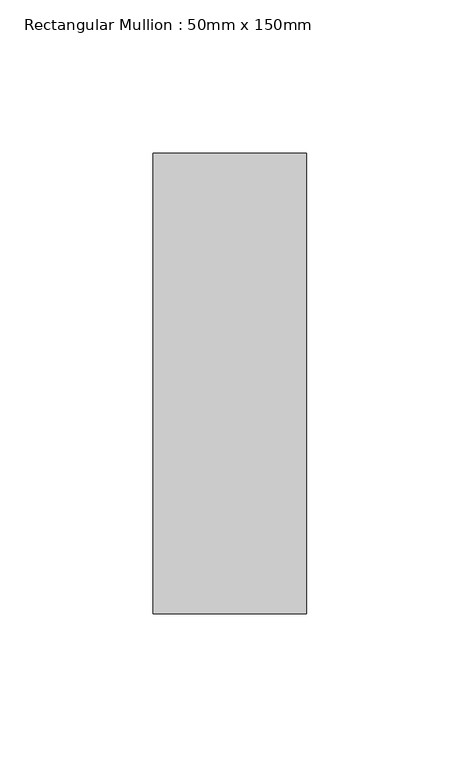
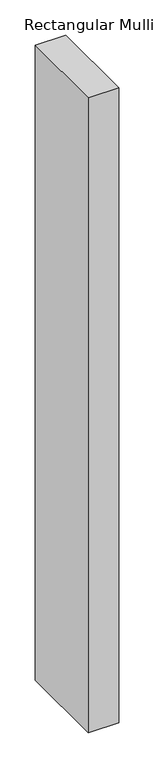
"""IFC4 building model written with IfcOpenShell, lengths in millimetres: member geometry, Rectangular Mullion : 50mm x 150mm."""

from ifc_helpers import new_model, si_unit, frame, origin, place, context, project, spatial, polyline, outline, extrude, source, transform, mapped, element, save


def rectangular_mullion_50mm_x_150mm_1968fb4a(model_context):
    return source(origin(), model_context, "Body", "SweptSolid", [
        extrude(outline(polyline([(0.0, 75.0), (0.0, -75.0), (-50.0, -75.0), (-50.0, 75.0), (0.0, 75.0)])), frame((0.0, 0.0, -1100.0), z_axis=(0.0, 0.0, 1.0), x_axis=(1.0, 0.0, 0.0)), (0.0, 0.0, 1.0), 1100.0),
    ])


if __name__ == "__main__":
    model = new_model("IFC4")
    model_context = context("Model", 3, world=origin())
    ifc_project = project(units=[si_unit("LENGTHUNIT", "METRE", prefix="MILLI")], contexts=[model_context])
    site = spatial("IfcSite", under=ifc_project)
    building = spatial("IfcBuilding", under=site)
    placement = place(None, origin())
    rectangular_mullion_50mm_x_150mm_shape = rectangular_mullion_50mm_x_150mm_1968fb4a(model_context)
    element("IfcMember", 1, ObjectType="Rectangular Mullion : 50mm x 150mm", at=placement, inside=building, context=model_context, shape_type="MappedRepresentation", body=[
        mapped(rectangular_mullion_50mm_x_150mm_shape, transform((0.0, 0.0, 0.0), x_axis=(1.0, 0.0, 0.0), y_axis=(0.0, 1.0, 0.0), z_axis=(0.0, 0.0, 1.0))),
    ])
    save(model, "model.ifc")
